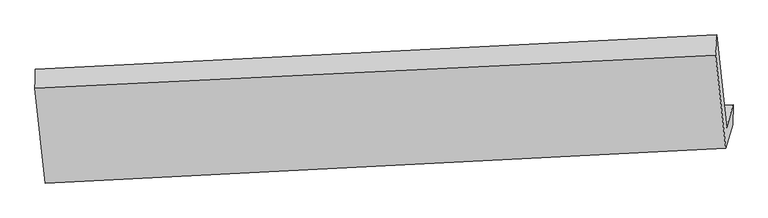
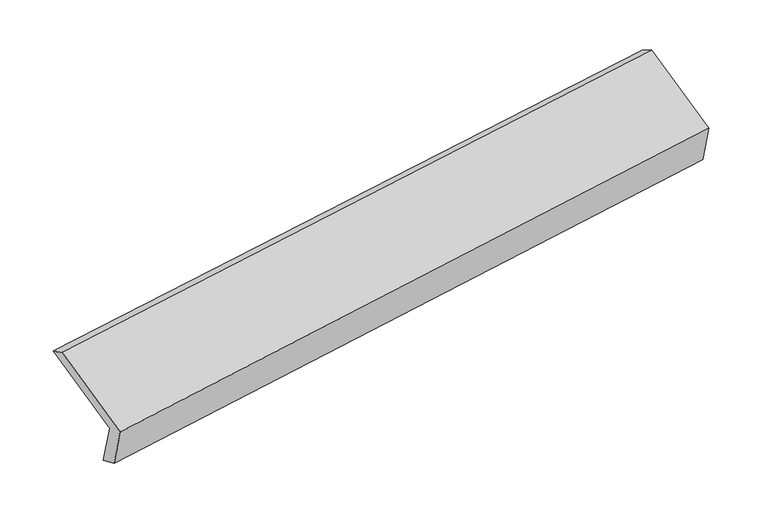
"""IFC4 building model written with IfcOpenShell, lengths in millimetres: proxy geometry."""

from ifc_helpers import new_model, si_unit, frame, origin, place, context, project, spatial, source, transform, mapped, element, save
from ifc_brep_helpers import plane_surface, spline_surface, advanced_brep


def generic_models_eb786e46(model_context):
    return source(origin(), model_context, "Body", "AdvancedBrep", [
        advanced_brep(
        [(-5032.6292095, -1646.6721601, 1243.9182533), (-5077.2701175, -1804.0032845, 1603.5076625), (-626.0107132, -1579.7077803, 2243.2556568), (-583.6299201, -1430.3421395, 1901.8718223), (-5035.3449374, -1787.1402484, 1308.6474725), (-587.3430367, -1561.6495595, 1970.485288), (-5079.239953, -1941.842571, 1662.2286028), (-631.2380523, -1716.3518821, 2324.0664183), (-5146.679276, -1322.4358178, 1924.8653932), (-697.6799866, -1106.1057973, 2582.8189622), (-5143.2126821, -1198.343737, 1860.3154528), (-691.9532778, -974.0482329, 2500.0634471)],
        [
            (0, 1),
            (1, 2),
            (2, 3),
            (3, 0),
            (4, 0),
            (3, 5),
            (5, 4),
            (6, 4),
            (5, 7),
            (7, 6),
            (8, 6),
            (7, 9),
            (9, 8),
            (10, 8),
            (9, 11),
            (11, 10),
            (1, 10),
            (11, 2),
        ],
        [
            plane_surface(frame((-5054.9496635, -1725.3377223, 1423.7129579), z_axis=(-0.10193419779496321, 0.9159604226271839, 0.38810555716264644), x_axis=(-0.1130057456670128, -0.3982741801695355, 0.9102787369023441))),
            spline_surface(1, 1, [[(-5035.3449374, -1787.1402484, 1308.6474725), (-587.3430367, -1561.6495595, 1970.485288)], [(-5032.6292095, -1646.6721601, 1243.9182533), (-583.6299201, -1430.3421395, 1901.8718223)]], [2, 2], [2, 2], [0.0, 1.0], [0.0, 1.0]),
            plane_surface(frame((-5057.2924452, -1864.4914097, 1485.4380376), z_axis=(0.10412900503128825, -0.9158494927552825, -0.38778454962915393), x_axis=(0.11300574566701269, 0.39827418016953586, -0.9102787369023438))),
            plane_surface(frame((-5112.9596145, -1632.1391944, 1793.546998), z_axis=(-0.11520104463629448, -0.3983773514893376, 0.909958353516823), x_axis=(0.09973886610539862, -0.9160668355242452, -0.3884246534922893))),
            spline_surface(1, 1, [[(-5143.2126821, -1198.343737, 1860.3154528), (-691.9532778, -974.0482329, 2500.0634471)], [(-5146.679276, -1322.4358178, 1924.8653932), (-697.6799866, -1106.1057973, 2582.8189622)]], [2, 2], [2, 2], [0.0, 1.0], [0.0, 1.0]),
            plane_surface(frame((-5110.2413998, -1501.1735108, 1731.9115576), z_axis=(0.11080988928249082, 0.39816904431160527, -0.9105946302220242), x_axis=(-0.0997388661053992, 0.916066835524239, 0.38842465349230376))),
            plane_surface(frame((-636.3091645, -1394.7008986, 2253.7602658), z_axis=(0.9885756723864146, 0.04689595145514707, 0.14324423095840474), x_axis=(0.09973886610539862, -0.9160668355242452, -0.3884246534922893))),
            plane_surface(frame((-5085.7293626, -1616.7396365, 1600.5804728), z_axis=(-0.9885756723864152, -0.046895951455141416, -0.1432442309584027), x_axis=(0.11300574566701307, 0.3982741801695353, -0.9102787369023441))),
        ],
        [
            (0, [[1, 2, 3, 4]]),
            (1, [[5, -4, 6, 7]]),
            (2, [[8, -7, 9, 10]]),
            (3, [[11, -10, 12, 13]]),
            (4, [[14, -13, 15, 16]]),
            (5, [[17, -16, 18, -2]]),
            (6, [[-12, -9, -6, -3, -18, -15]]),
            (7, [[-1, -5, -8, -11, -14, -17]]),
        ],
    ),
    ])


if __name__ == "__main__":
    model = new_model("IFC4")
    model_context = context("Model", 3, world=origin())
    ifc_project = project(units=[si_unit("LENGTHUNIT", "METRE", prefix="MILLI")], contexts=[model_context])
    site = spatial("IfcSite", under=ifc_project)
    building = spatial("IfcBuilding", under=site)
    placement = place(None, origin())
    generic_models_shape = generic_models_eb786e46(model_context)
    element("IfcBuildingElementProxy", 1, Name="Generic Models", at=placement, inside=building, context=model_context, shape_type="MappedRepresentation", body=[
        mapped(generic_models_shape, transform((0.0, 0.0, 0.0), x_axis=(1.0, 0.0, 0.0), y_axis=(0.0, 1.0, 0.0), z_axis=(0.0, 0.0, 1.0))),
    ])
    save(model, "model.ifc")
